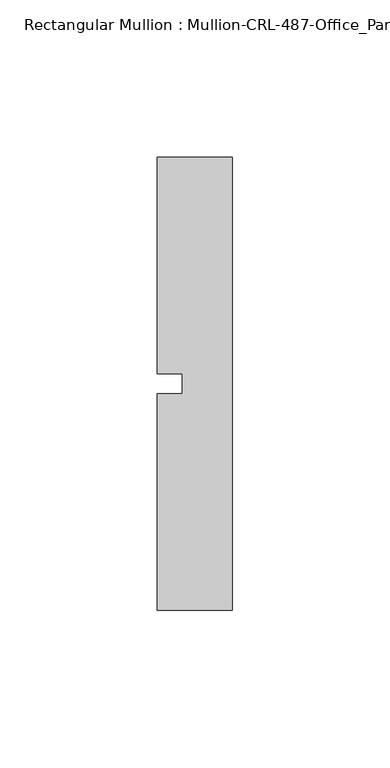
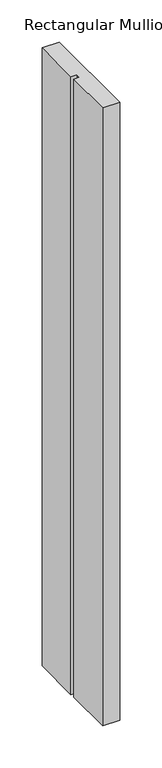
"""IFC4 building model written with IfcOpenShell, lengths in millimetres: member geometry, Rectangular Mullion : Mullion-CRL-487-Office_Partition-Head."""

import ifcopenshell
import ifcopenshell.guid

model = None  # the IFC model being written
_history = None  # IfcOwnerHistory: only IFC2X3 demands one
_inside = {}  # id of a spatial element -> (the spatial element, [elements in it])
_under = {}  # id of a project, library or spatial element -> (it, [spatial elements below it])
_declared = {}  # id of a project -> (the project, [libraries it declares])
_typed = {}  # id of a type object -> (the type object, [elements of that type])
_made_of = {}  # id of a material, layer set ... -> (it, [elements and type objects made of it])


def new_model(schema):
    """Start an empty IFC model of exactly this schema.

    Asked for "IFC4X3", IfcOpenShell would pick the latest addendum, in which some entities
    have other attributes; the version numbers below select the first issue.
    IFC2X3 requires an IfcOwnerHistory on every rooted entity: one is made here for all.
    """
    global model, _history
    if schema == "IFC4X3":
        model = ifcopenshell.file(schema_version=(4, 3, 0, 0))
    else:
        model = ifcopenshell.file(schema=schema)
    _inside.clear()
    _under.clear()
    _declared.clear()
    _typed.clear()
    _made_of.clear()
    _history = None
    if model.schema == "IFC2X3":
        org = make("IfcOrganization", Name="unknown")
        user = make(
            "IfcPersonAndOrganization",
            ThePerson=make("IfcPerson", FamilyName="unknown"),
            TheOrganization=org,
        )
        app = make(
            "IfcApplication",
            ApplicationDeveloper=org,
            Version="unknown",
            ApplicationFullName="unknown",
            ApplicationIdentifier="unknown",
        )
        _history = make(
            "IfcOwnerHistory",
            OwningUser=user,
            OwningApplication=app,
            ChangeAction="ADDED",
            CreationDate=0,
        )
    return model


def make(cls, **values):
    """One entity of the class cls with the attributes given. An attribute that is None is left unset."""
    return model.create_entity(
        cls, **{name: value for name, value in values.items() if value is not None}
    )


def rooted(cls, **values):
    """An entity with a GlobalId (a new one), such as an element, a storey or a relation."""
    return make(cls, GlobalId=ifcopenshell.guid.new(), OwnerHistory=_history, **values)


def si_unit(unit_type, name, prefix=None):
    """IfcSIUnit, for example si_unit("LENGTHUNIT", "METRE", prefix="MILLI")."""
    return make("IfcSIUnit", UnitType=unit_type, Prefix=prefix, Name=name)


def assignment(units):
    """IfcUnitAssignment: the units of a project."""
    return None if units is None else make("IfcUnitAssignment", Units=units)


def point(xyz):
    """IfcCartesianPoint."""
    return None if xyz is None else make("IfcCartesianPoint", Coordinates=xyz)


def direction(xyz):
    """IfcDirection."""
    return None if xyz is None else make("IfcDirection", DirectionRatios=xyz)


def frame(location, z_axis=None, x_axis=None):
    """IfcAxis2Placement3D, a coordinate frame: its origin and axes. An axis left out is left unset."""
    return make(
        "IfcAxis2Placement3D",
        Location=point(location),
        Axis=direction(z_axis),
        RefDirection=direction(x_axis),
    )


def origin():
    """The frame at (0, 0, 0) with its axes left unset."""
    return frame((0.0, 0.0, 0.0))


def place(relative_to, where):
    """IfcLocalPlacement: puts the frame where relative to a parent placement (None: the world)."""
    return make(
        "IfcLocalPlacement", PlacementRelTo=relative_to, RelativePlacement=where
    )


def context(
    kind, dimensions, precision=None, world=None, true_north=None, identifier=None
):
    """IfcGeometricRepresentationContext, for example the 3D "Model" context."""
    return make(
        "IfcGeometricRepresentationContext",
        ContextIdentifier=identifier,
        ContextType=kind,
        CoordinateSpaceDimension=dimensions,
        Precision=precision,
        WorldCoordinateSystem=world,
        TrueNorth=true_north,
    )


def project(units=None, contexts=None):
    """IfcProject with its units and contexts."""
    return rooted(
        "IfcProject",
        Name="project",
        RepresentationContexts=contexts,
        UnitsInContext=assignment(units),
    )


def spatial(cls, under=None, at=None, **own):
    """A site, building, storey or space (cls), placed at a placement, below another one or the project."""
    s = rooted(cls, ObjectPlacement=at, **own)
    if under is not None:
        _under.setdefault(under.id(), (under, []))[1].append(s)
    return s


def polyline(points):
    """IfcPolyline through the points."""
    return make("IfcPolyline", Points=[point(p) for p in points])


def outline(outer, holes=None, kind="AREA"):
    """IfcArbitraryClosedProfileDef: a profile drawn as a closed curve; with holes, ...WithVoids."""
    if holes is None:
        return make("IfcArbitraryClosedProfileDef", ProfileType=kind, OuterCurve=outer)
    return make(
        "IfcArbitraryProfileDefWithVoids",
        ProfileType=kind,
        OuterCurve=outer,
        InnerCurves=holes,
    )


def extrude(swept, where, along, depth):
    """IfcExtrudedAreaSolid: the profile swept, set in the frame where, extruded along a direction by depth."""
    return make(
        "IfcExtrudedAreaSolid",
        SweptArea=swept,
        Position=where,
        ExtrudedDirection=direction(along),
        Depth=depth,
    )


def shape(context_of_items, identifier, shape_type, items):
    """IfcShapeRepresentation: the items that make up one representation, for example the "Body"."""
    return make(
        "IfcShapeRepresentation",
        ContextOfItems=context_of_items,
        RepresentationIdentifier=identifier,
        RepresentationType=shape_type,
        Items=items,
    )


def source(mapping_origin, context_of_items, identifier, shape_type, items):
    """IfcRepresentationMap: a shape defined once, which mapped items show again and again."""
    return make(
        "IfcRepresentationMap",
        MappingOrigin=mapping_origin,
        MappedRepresentation=shape(context_of_items, identifier, shape_type, items),
    )


def transform(
    local_origin,
    x_axis=None,
    y_axis=None,
    z_axis=None,
    scale=None,
    scale2=None,
    scale3=None,
    uniform=True,
):
    """IfcCartesianTransformationOperator3D, or its non-uniform kind. x_axis, y_axis, z_axis: its Axis1, 2, 3."""
    if uniform:
        return make(
            "IfcCartesianTransformationOperator3D",
            Axis1=direction(x_axis),
            Axis2=direction(y_axis),
            LocalOrigin=point(local_origin),
            Scale=scale,
            Axis3=direction(z_axis),
        )
    return make(
        "IfcCartesianTransformationOperator3DnonUniform",
        Axis1=direction(x_axis),
        Axis2=direction(y_axis),
        LocalOrigin=point(local_origin),
        Scale=scale,
        Axis3=direction(z_axis),
        Scale2=scale2,
        Scale3=scale3,
    )


def mapped(mapping_source, mapping_target):
    """IfcMappedItem: shows the shape of a source again, moved by a transform."""
    return make(
        "IfcMappedItem", MappingSource=mapping_source, MappingTarget=mapping_target
    )


def made_of(thing, what):
    """Note that an element or type object is made of a material, layer set ...; save() writes the relation."""
    if what is not None:
        _made_of.setdefault(what.id(), (what, []))[1].append(thing)
    return thing


def element(
    cls,
    number,
    at=None,
    inside=None,
    cuts=None,
    type_object=None,
    material=None,
    context=None,
    identifier="Body",
    shape_type=None,
    held_by="IfcProductDefinitionShape",
    body=None,
    shapes=None,
    **own,
):
    """One element of the class cls, such as IfcWall. Its Tag is "e" and its number.

    at: its placement. inside: the storey or other place that contains it. cuts: it is an
    opening in that element (IfcRelVoidsElement). A single representation is given by context,
    identifier, shape_type and body (its items); several are given by shapes. held_by: the class
    of the entity that holds the representations. save() writes the other relations.
    """
    e = rooted(cls, Tag="e%d" % number, ObjectPlacement=at, **own)
    if body is not None:
        shapes = [shape(context, identifier, shape_type, body)]
    if shapes is not None:
        e.Representation = make(held_by, Representations=shapes)
    if inside is not None:
        _inside.setdefault(inside.id(), (inside, []))[1].append(e)
    if cuts is not None:
        rooted(
            "IfcRelVoidsElement", RelatingBuildingElement=cuts, RelatedOpeningElement=e
        )
    if type_object is not None:
        _typed.setdefault(type_object.id(), (type_object, []))[1].append(e)
    return made_of(e, material)


def aggregate(whole, parts):
    """IfcRelAggregates: a whole, such as a stair, and the parts it consists of."""
    return rooted("IfcRelAggregates", RelatingObject=whole, RelatedObjects=parts)


def save(model, path):
    """Write the relations noted so far, then the file.

    IfcRelAggregates (storeys below a building ...), IfcRelContainedInSpatialStructure (elements
    in a storey), IfcRelDefinesByType, IfcRelAssociatesMaterial and IfcRelDeclares: one each for
    every whole, place, type object, material and project.
    """
    for whole, parts in _under.values():
        aggregate(whole, parts)
    for where, things in _inside.values():
        rooted(
            "IfcRelContainedInSpatialStructure",
            RelatedElements=things,
            RelatingStructure=where,
        )
    for kind, things in _typed.values():
        rooted("IfcRelDefinesByType", RelatedObjects=things, RelatingType=kind)
    for what, things in _made_of.values():
        rooted("IfcRelAssociatesMaterial", RelatedObjects=things, RelatingMaterial=what)
    for by, libraries in _declared.values():
        rooted("IfcRelDeclares", RelatingContext=by, RelatedDefinitions=libraries)
    model.write(path)


def rectangular_mullion_mullion_crl_487_office_partition_head_0bfa2377(model_context):
    return source(origin(), model_context, "Body", "SweptSolid", [
        extrude(outline(polyline([(-23.7998, -71.9452143), (-23.7998, -3.175), (-15.8623, -3.175), (-15.8623, 3.175), (-23.7998, 3.175), (-23.7998, 71.9452142), (0.0, 71.9452142), (0.0, -71.9452143), (-23.7998, -71.9452143)])), frame((0.0, 0.0, -896.9502), z_axis=(0.0, 0.0, 1.0), x_axis=(1.0, 0.0, 0.0)), (0.0, 0.0, 1.0), 896.9502),
    ])


if __name__ == "__main__":
    model = new_model("IFC4")
    model_context = context("Model", 3, world=origin())
    ifc_project = project(units=[si_unit("LENGTHUNIT", "METRE", prefix="MILLI")], contexts=[model_context])
    site = spatial("IfcSite", under=ifc_project)
    building = spatial("IfcBuilding", under=site)
    placement = place(None, origin())
    rectangular_mullion_mullion_crl_487_office_partition_head_shape = rectangular_mullion_mullion_crl_487_office_partition_head_0bfa2377(model_context)
    element("IfcMember", 1, ObjectType="Rectangular Mullion : Mullion-CRL-487-Office_Partition-Head", at=placement, inside=building, context=model_context, shape_type="MappedRepresentation", body=[
        mapped(rectangular_mullion_mullion_crl_487_office_partition_head_shape, transform((0.0, 0.0, 0.0), x_axis=(1.0, 0.0, 0.0), y_axis=(0.0, 1.0, 0.0), z_axis=(0.0, 0.0, 1.0))),
    ])
    save(model, "model.ifc")
